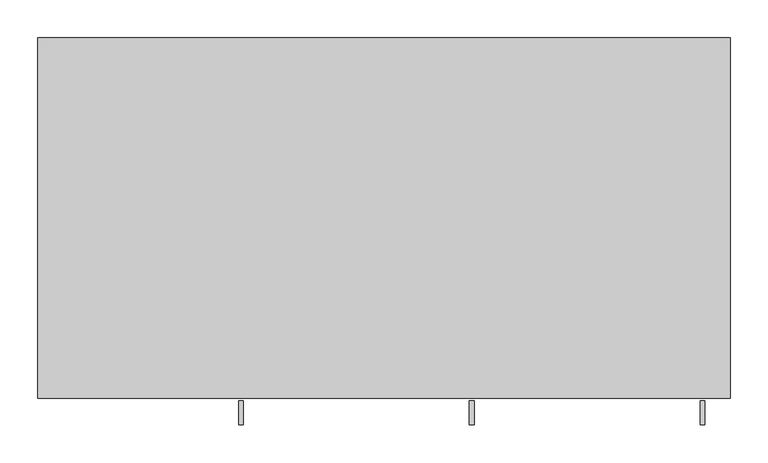
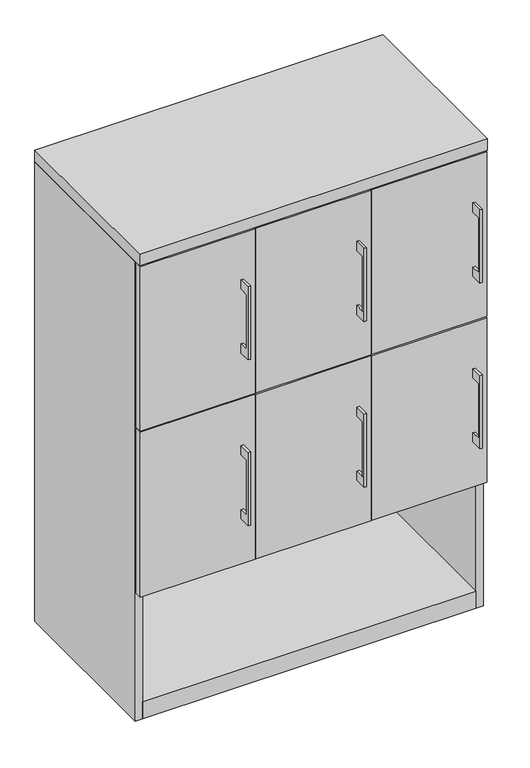
"""IFC4 building model written with IfcOpenShell, lengths in millimetres: furniture geometry."""

from ifc_helpers import new_model, si_unit, frame, origin, origin_with_axes, place, context, project, spatial, polyline, outline, extrude, source, transform, mapped, element, save


def furniture_67d04aba(model_context):
    return source(origin(), model_context, "Body", "SweptSolid", [
        extrude(outline(polyline([(-479.425, 660.4), (-504.8249758, 660.4), (-504.8249758, 508.0), (-479.425, 508.0), (-479.425, 482.6), (-511.1749879, 482.6), (-511.1749879, 685.8), (-479.425, 685.8), (-479.425, 660.4)])), frame((112.7125121, 0.0, 0.0), z_axis=(1.0, 0.0, 0.0), x_axis=(0.0, 1.0, 0.0)), (0.0, 0.0, 1.0), 6.3499758),
        extrude(outline(polyline([(150.8125, -476.25), (-150.8125, -476.25), (-150.8125, -457.2), (150.8125, -457.2), (150.8125, -476.25)])), frame((0.0, 0.0, 355.6), z_axis=(0.0, 0.0, 1.0), x_axis=(1.0, 0.0, 0.0)), (0.0, 0.0, 1.0), 457.2),
        extrude(outline(polyline([(-479.425, 1120.775), (-504.8249758, 1120.775), (-504.8249758, 968.375), (-479.425, 968.375), (-479.425, 942.975), (-511.1749879, 942.975), (-511.1749879, 1146.175), (-479.425, 1146.175), (-479.425, 1120.775)])), frame((112.7125121, 0.0, 0.0), z_axis=(1.0, 0.0, 0.0), x_axis=(0.0, 1.0, 0.0)), (0.0, 0.0, 1.0), 6.3499758),
        extrude(outline(polyline([(150.8125, -476.25), (-150.8125, -476.25), (-150.8125, -457.2), (150.8125, -457.2), (150.8125, -476.25)])), frame((0.0, 0.0, 815.975), z_axis=(0.0, 0.0, 1.0), x_axis=(1.0, 0.0, 0.0)), (0.0, 0.0, 1.0), 457.2),
        extrude(outline(polyline([(-479.425, 1120.775), (-504.8249758, 1120.775), (-504.8249758, 968.375), (-479.425, 968.375), (-479.425, 942.975), (-511.1749879, 942.975), (-511.1749879, 1146.175), (-479.425, 1146.175), (-479.425, 1120.775)])), frame((417.5125121, 0.0, 0.0), z_axis=(1.0, 0.0, 0.0), x_axis=(0.0, 1.0, 0.0)), (0.0, 0.0, 1.0), 6.3499758),
        extrude(outline(polyline([(455.6125, -476.25), (153.9875, -476.25), (153.9875, -457.2), (455.6125, -457.2), (455.6125, -476.25)])), frame((0.0, 0.0, 815.975), z_axis=(0.0, 0.0, 1.0), x_axis=(1.0, 0.0, 0.0)), (0.0, 0.0, 1.0), 457.2),
        extrude(outline(polyline([(-479.425, 1120.775), (-504.8249758, 1120.775), (-504.8249758, 968.375), (-479.425, 968.375), (-479.425, 942.975), (-511.1749879, 942.975), (-511.1749879, 1146.175), (-479.425, 1146.175), (-479.425, 1120.775)])), frame((-192.0874879, 0.0, 0.0), z_axis=(1.0, 0.0, 0.0), x_axis=(0.0, 1.0, 0.0)), (0.0, 0.0, 1.0), 6.3499758),
        extrude(outline(polyline([(-153.9875, -476.25), (-455.6125, -476.25), (-455.6125, -457.2), (-153.9875, -457.2), (-153.9875, -476.25)])), frame((0.0, 0.0, 815.975), z_axis=(0.0, 0.0, 1.0), x_axis=(1.0, 0.0, 0.0)), (0.0, 0.0, 1.0), 457.2),
        extrude(outline(polyline([(-479.425, 660.4), (-504.8249758, 660.4), (-504.8249758, 508.0), (-479.425, 508.0), (-479.425, 482.6), (-511.1749879, 482.6), (-511.1749879, 685.8), (-479.425, 685.8), (-479.425, 660.4)])), frame((417.5125121, 0.0, 0.0), z_axis=(1.0, 0.0, 0.0), x_axis=(0.0, 1.0, 0.0)), (0.0, 0.0, 1.0), 6.3499758),
        extrude(outline(polyline([(455.6125, -476.25), (153.9875, -476.25), (153.9875, -457.2), (455.6125, -457.2), (455.6125, -476.25)])), frame((0.0, 0.0, 355.6), z_axis=(0.0, 0.0, 1.0), x_axis=(1.0, 0.0, 0.0)), (0.0, 0.0, 1.0), 457.2),
        extrude(outline(polyline([(-479.425, 660.4), (-504.8249758, 660.4), (-504.8249758, 508.0), (-479.425, 508.0), (-479.425, 482.6), (-511.1749879, 482.6), (-511.1749879, 685.8), (-479.425, 685.8), (-479.425, 660.4)])), frame((-192.0874879, 0.0, 0.0), z_axis=(1.0, 0.0, 0.0), x_axis=(0.0, 1.0, 0.0)), (0.0, 0.0, 1.0), 6.3499758),
        extrude(outline(polyline([(-153.9875, -476.25), (-455.6125, -476.25), (-455.6125, -457.2), (-153.9875, -457.2), (-153.9875, -476.25)])), frame((0.0, 0.0, 355.6), z_axis=(0.0, 0.0, 1.0), x_axis=(1.0, 0.0, 0.0)), (0.0, 0.0, 1.0), 457.2),
        extrude(outline(polyline([(438.15, -19.05), (438.15, -457.2), (-438.15, -457.2), (-438.15, -19.05), (438.15, -19.05)])), frame((0.0, 0.0, 352.425), z_axis=(0.0, 0.0, 1.0), x_axis=(1.0, 0.0, 0.0)), (0.0, 0.0, 1.0), 19.05),
        extrude(outline(polyline([(-142.875, -19.05), (-142.875, -457.2), (-161.925, -457.2), (-161.925, -19.05), (-142.875, -19.05)])), frame((0.0, 0.0, 371.475), z_axis=(0.0, 0.0, 1.0), x_axis=(1.0, 0.0, 0.0)), (0.0, 0.0, 1.0), 904.875),
        extrude(outline(polyline([(161.925, -19.05), (161.925, -457.2), (142.875, -457.2), (142.875, -19.05), (161.925, -19.05)])), frame((0.0, 0.0, 371.475), z_axis=(0.0, 0.0, 1.0), x_axis=(1.0, 0.0, 0.0)), (0.0, 0.0, 1.0), 904.875),
        extrude(outline(polyline([(438.15, -19.05), (438.15, -457.2), (-438.15, -457.2), (-438.15, -19.05), (438.15, -19.05)])), origin_with_axes(), (0.0, 0.0, 1.0), 47.625),
        extrude(outline(polyline([(457.2, 0.0), (457.2, -476.25), (-457.2, -476.25), (-457.2, 0.0), (457.2, 0.0)])), frame((0.0, 0.0, 1276.35), z_axis=(0.0, 0.0, 1.0), x_axis=(1.0, 0.0, 0.0)), (0.0, 0.0, 1.0), 31.75),
        extrude(outline(polyline([(457.2, 0.0), (457.2, -457.2), (438.15, -457.2), (438.15, -19.05), (-438.15, -19.05), (-438.15, -457.2), (-457.2, -457.2), (-457.2, 0.0), (457.2, 0.0)])), origin_with_axes(), (0.0, 0.0, 1.0), 1276.35),
    ])


if __name__ == "__main__":
    model = new_model("IFC4")
    model_context = context("Model", 3, world=origin())
    ifc_project = project(units=[si_unit("LENGTHUNIT", "METRE", prefix="MILLI")], contexts=[model_context])
    site = spatial("IfcSite", under=ifc_project)
    building = spatial("IfcBuilding", under=site)
    placement = place(None, origin())
    furniture_shape = furniture_67d04aba(model_context)
    element("IfcFurniture", 1, at=placement, inside=building, context=model_context, shape_type="MappedRepresentation", body=[
        mapped(furniture_shape, transform((0.0, 0.0, 0.0), x_axis=(1.0, 0.0, 0.0), y_axis=(0.0, 1.0, 0.0), z_axis=(0.0, 0.0, 1.0))),
    ])
    save(model, "model.ifc")
